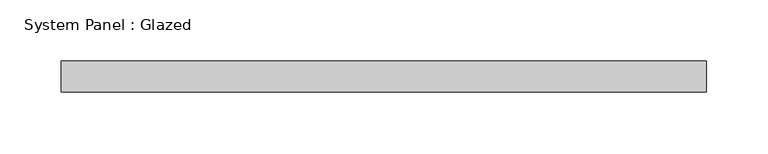
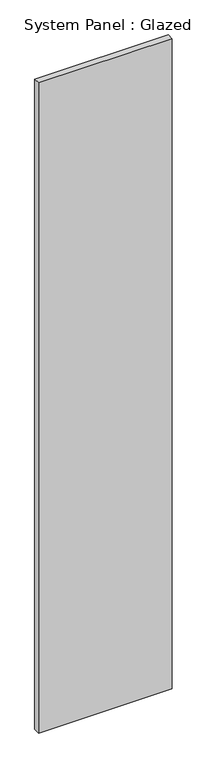
"""IFC4 building model written with IfcOpenShell, lengths in millimetres: plate geometry, System Panel : Glazed."""

from ifc_helpers import new_model, si_unit, origin, origin_with_axes, place, context, project, spatial, polyline, outline, extrude, source, transform, mapped, element, save


def system_panel_glazed_8e2fd2f2(model_context):
    return source(origin(), model_context, "Body", "SweptSolid", [
        extrude(outline(polyline([(263.525, 19.05), (-263.525, 19.05), (-263.525, 44.45), (263.525, 44.45), (263.525, 19.05)])), origin_with_axes(), (0.0, 0.0, 1.0), 2711.45),
    ])


if __name__ == "__main__":
    model = new_model("IFC4")
    model_context = context("Model", 3, world=origin())
    ifc_project = project(units=[si_unit("LENGTHUNIT", "METRE", prefix="MILLI")], contexts=[model_context])
    site = spatial("IfcSite", under=ifc_project)
    building = spatial("IfcBuilding", under=site)
    placement = place(None, origin())
    system_panel_glazed_shape = system_panel_glazed_8e2fd2f2(model_context)
    element("IfcPlate", 1, ObjectType="System Panel : Glazed", at=placement, inside=building, context=model_context, shape_type="MappedRepresentation", body=[
        mapped(system_panel_glazed_shape, transform((0.0, 0.0, 0.0), x_axis=(1.0, 0.0, 0.0), y_axis=(0.0, 1.0, 0.0), z_axis=(0.0, 0.0, 1.0))),
    ])
    save(model, "model.ifc")
